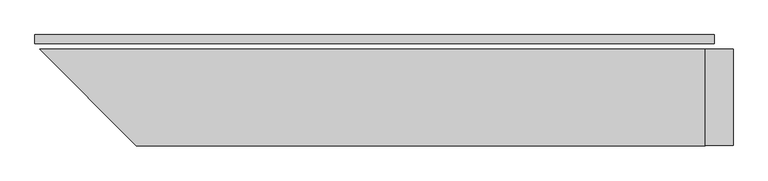
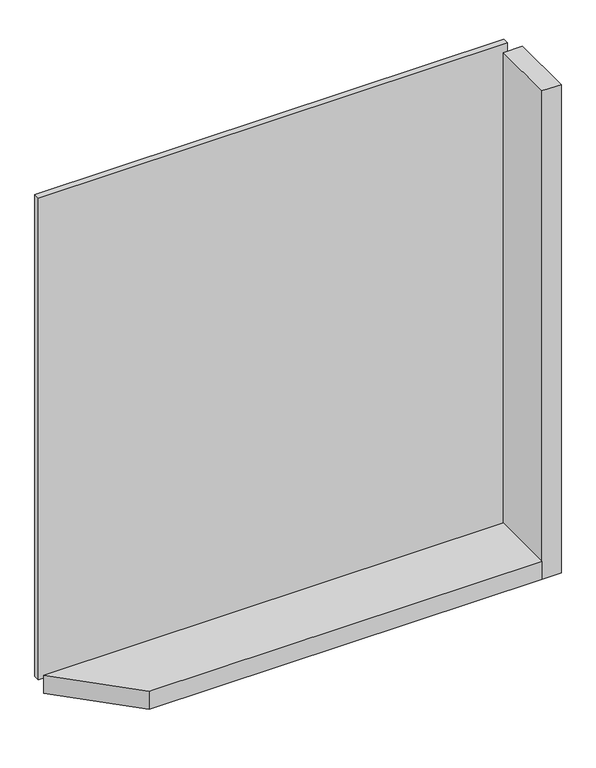
"""IFC4 building model written with IfcOpenShell, lengths in millimetres: plate geometry."""

from ifc_helpers import new_model, si_unit, frame, origin, origin_with_axes, place, context, project, spatial, polyline, outline, extrude, source, transform, mapped, element, save


def plate_bff5e9d5(model_context):
    return source(origin(), model_context, "Body", "SweptSolid", [
        extrude(outline(polyline([(981.5, 0.0), (981.5, -25.0), (-981.5, -25.0), (-981.5, 0.0), (981.5, 0.0)])), origin_with_axes(), (0.0, 0.0, 1.0), 2132.0),
        extrude(outline(polyline([(956.5, -321.0), (-687.9314575, -321.0), (-967.9314575, -41.0), (956.5, -41.0), (956.5, -321.0)])), frame((0.0, 0.0, -55.0), z_axis=(0.0, 0.0, 1.0), x_axis=(1.0, 0.0, 0.0)), (0.0, 0.0, 1.0), 80.0),
        extrude(outline(polyline([(1036.5, -41.0), (1036.5, -321.0), (956.5, -321.0), (956.5, -41.0), (1036.5, -41.0)])), frame((0.0, 0.0, -55.0), z_axis=(0.0, 0.0, 1.0), x_axis=(1.0, 0.0, 0.0)), (0.0, 0.0, 1.0), 2162.0),
    ])


if __name__ == "__main__":
    model = new_model("IFC4")
    model_context = context("Model", 3, world=origin())
    ifc_project = project(units=[si_unit("LENGTHUNIT", "METRE", prefix="MILLI")], contexts=[model_context])
    site = spatial("IfcSite", under=ifc_project)
    building = spatial("IfcBuilding", under=site)
    placement = place(None, origin())
    plate_shape = plate_bff5e9d5(model_context)
    element("IfcPlate", 1, at=placement, inside=building, context=model_context, shape_type="MappedRepresentation", body=[
        mapped(plate_shape, transform((0.0, 0.0, 0.0), x_axis=(1.0, 0.0, 0.0), y_axis=(0.0, 1.0, 0.0), z_axis=(0.0, 0.0, 1.0))),
    ])
    save(model, "model.ifc")
